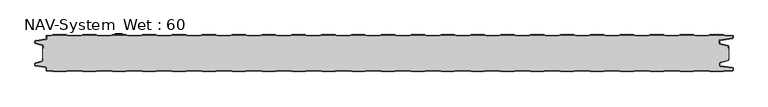
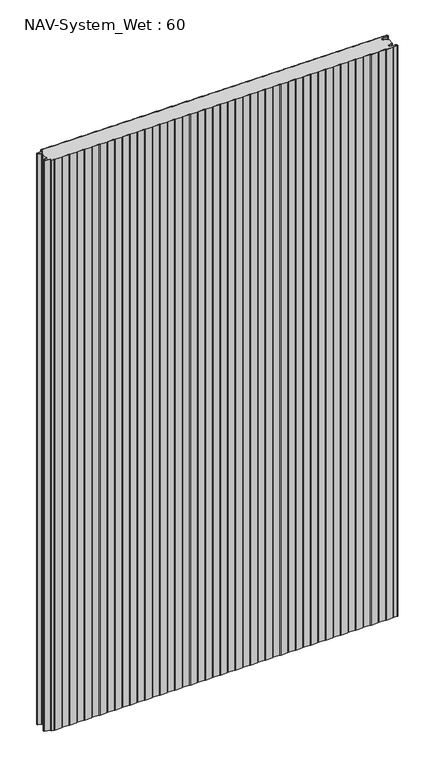
"""IFC4 building model written with IfcOpenShell, lengths in millimetres: plate geometry, NAV-System_Wet : 60."""

from ifc_helpers import new_model, si_unit, point, frame_2d, origin, origin_with_axes, place, context, project, spatial, polyline, circle_curve, trimmed, segment, composite_curve, outline, extrude, source, transform, mapped, element, save


def nav_system_wet_60_539c1cec(model_context):
    return source(origin(), model_context, "Body", "SweptSolid", [
        extrude(outline(composite_curve([segment(polyline([(430.3684327, -0.8), (427.3684327, 0.2), (405.3684327, 0.2), (402.3684327, -0.8), (380.3684327, -0.8), (377.3684327, 0.2), (355.3684327, 0.2), (352.3684327, -0.8), (330.3684327, -0.8), (327.3684327, 0.2), (305.3684327, 0.2), (302.3684327, -0.8), (280.3684327, -0.8), (277.3684327, 0.2), (255.3684327, 0.2), (252.3684327, -0.8), (230.3684327, -0.8), (227.3684327, 0.2), (205.3684327, 0.2), (202.3684327, -0.8), (180.3684327, -0.8), (177.3684327, 0.2), (155.3684327, 0.2), (152.3684327, -0.8), (130.3684327, -0.8), (127.3684327, 0.2), (105.3684327, 0.2), (102.3684327, -0.8), (80.3684327, -0.8), (77.3684327, 0.2), (55.3684327, 0.2), (52.3684327, -0.8), (30.3684327, -0.8), (27.3684327, 0.2), (5.3684327, 0.2), (2.3684327, -0.8), (-19.6315673, -0.8), (-22.6315673, 0.2), (-44.6315673, 0.2), (-47.6315673, -0.8), (-69.6315673, -0.8), (-72.6315673, 0.2), (-94.6315673, 0.2), (-97.6315673, -0.8), (-119.6315673, -0.8), (-122.6315673, 0.2), (-144.6315673, 0.2), (-147.6315673, -0.8), (-169.6315673, -0.8), (-172.6315673, 0.2), (-194.6315673, 0.2), (-197.6315673, -0.8), (-219.6315673, -0.8), (-222.6315673, 0.2), (-244.6315673, 0.2), (-247.6315673, -0.8), (-269.6315673, -0.8), (-272.6315673, 0.2), (-294.6315673, 0.2), (-297.6315673, -0.8), (-319.6315673, -0.8), (-322.6315673, 0.2), (-344.6315673, 0.2), (-347.6315673, -0.8), (-369.6315673, -0.8), (-372.6315673, 0.2), (-394.6315673, 0.2), (-397.6315673, -0.8), (-419.6315673, -0.8), (-422.6315673, 0.2), (-444.6315673, 0.2), (-447.6315673, -0.8), (-469.6315673, -0.8), (-472.6315673, 0.2), (-494.6315673, 0.2), (-497.6315673, -0.8), (-519.6315673, -0.8), (-522.6315673, 0.2), (-544.6315673, 0.2), (-547.6315673, -0.8), (-554.7, -0.8)]), True, "CONTINUOUS"), segment(trimmed(circle_curve(frame_2d((-554.7, -1.3)), 0.5), [point((-554.7, -0.8))], [point((-555.2, -1.3))], True, "CARTESIAN"), True, "CONTINUOUS"), segment(polyline([(-555.2, -1.3), (-555.2, -5.3964683)]), True, "CONTINUOUS"), segment(trimmed(circle_curve(frame_2d((-556.7, -5.3964683)), 1.5), [point((-555.2, -5.3964683))], [point((-556.4911207, -6.8818536))], False, "CARTESIAN"), True, "CONTINUOUS"), segment(polyline([(-556.4911207, -6.8818536), (-573.4352183, -9.2645825)]), True, "CONTINUOUS"), segment(trimmed(circle_curve(frame_2d((-573.3114909, -10.1444347)), 0.8885091), [point((-573.4352183, -9.2645825))], [point((-574.2, -10.1444347))], True, "CARTESIAN"), True, "CONTINUOUS"), segment(polyline([(-574.2, -10.1444347), (-574.2, -12.46995)]), True, "CONTINUOUS"), segment(trimmed(circle_curve(frame_2d((-573.6, -12.46995)), 0.6), [point((-574.2, -12.46995))], [point((-573.7552914, -13.0495055))], True, "CARTESIAN"), True, "CONTINUOUS"), segment(polyline([(-573.7552914, -13.0495055), (-562.3785632, -16.0978907)]), True, "CONTINUOUS"), segment(trimmed(circle_curve(frame_2d((-562.7667917, -17.5467794)), 1.5), [point((-562.3785632, -16.0978907))], [point((-561.2667917, -17.5467794))], False, "CARTESIAN"), True, "CONTINUOUS"), segment(polyline([(-561.2667917, -17.5467794), (-561.2667917, -21.0096505), (-562.0667917, -21.0096505), (-562.0667917, -17.5467794)]), True, "CONTINUOUS"), segment(trimmed(circle_curve(frame_2d((-562.7667917, -17.5467794)), 0.7), [point((-562.0667917, -17.5467794))], [point((-562.5856184, -16.8706313))], True, "CARTESIAN"), True, "CONTINUOUS"), segment(polyline([(-562.5856184, -16.8706313), (-574.0364648, -13.8023863)]), True, "CONTINUOUS"), segment(trimmed(circle_curve(frame_2d((-573.7, -12.5466827)), 1.3), [point((-574.0364648, -13.8023863))], [point((-575.0, -12.5466827))], False, "CARTESIAN"), True, "CONTINUOUS"), segment(polyline([(-575.0, -12.5466827), (-575.0, -9.8067363)]), True, "CONTINUOUS"), segment(trimmed(circle_curve(frame_2d((-573.7, -9.8067363)), 1.3), [point((-575.0, -9.8067363))], [point((-573.8810287, -8.5194024))], False, "CARTESIAN"), True, "CONTINUOUS"), segment(polyline([(-573.8810287, -8.5194024), (-556.602523, -6.0896481)]), True, "CONTINUOUS"), segment(trimmed(circle_curve(frame_2d((-556.7, -5.3964683)), 0.7), [point((-556.602523, -6.0896481))], [point((-556.0, -5.3964683))], True, "CARTESIAN"), True, "CONTINUOUS"), segment(polyline([(-556.0, -5.3964683), (-556.0, -1.3)]), True, "CONTINUOUS"), segment(trimmed(circle_curve(frame_2d((-554.7, -1.3)), 1.3), [point((-556.0, -1.3))], [point((-554.7, 0.0))], False, "CARTESIAN"), True, "CONTINUOUS"), segment(polyline([(-554.7, 0.0), (-547.7613895, 0.0), (-544.7613895, 1.0), (-522.5017452, 1.0), (-519.5017452, 0.0), (-497.7613895, 0.0), (-494.7613895, 1.0), (-472.5017452, 1.0), (-469.5017452, 0.0), (-447.7613895, 0.0), (-444.7613895, 1.0), (-422.5017452, 1.0), (-419.5017452, 0.0), (-397.7613895, 0.0), (-394.7613895, 1.0), (-372.5017452, 1.0), (-369.5017452, 0.0), (-347.7613895, 0.0), (-344.7613895, 1.0), (-322.5017452, 1.0), (-319.5017452, 0.0), (-297.7613895, 0.0), (-294.7613895, 1.0), (-272.5017452, 1.0), (-269.5017452, 0.0), (-247.7613895, 0.0), (-244.7613895, 1.0), (-222.5017452, 1.0), (-219.5017452, 0.0), (-197.7613895, 0.0), (-194.7613895, 1.0), (-172.5017452, 1.0), (-169.5017452, 0.0), (-147.7613895, 0.0), (-144.7613895, 1.0), (-122.5017452, 1.0), (-119.5017452, 0.0), (-97.7613895, 0.0), (-94.7613895, 1.0), (-72.5017452, 1.0), (-69.5017452, 0.0), (-47.7613895, 0.0), (-44.7613895, 1.0), (-22.5017452, 1.0), (-19.5017452, 0.0), (2.2386105, 0.0), (5.2386105, 1.0), (27.4982548, 1.0), (30.4982548, 0.0), (52.2386105, 0.0), (55.2386105, 1.0), (77.4982548, 1.0), (80.4982548, 0.0), (102.2386105, 0.0), (105.2386105, 1.0), (127.4982548, 1.0), (130.4982548, 0.0), (152.2386105, 0.0), (155.2386105, 1.0), (177.4982548, 1.0), (180.4982548, 0.0), (202.2386105, 0.0), (205.2386105, 1.0), (227.4982548, 1.0), (230.4982548, 0.0), (252.2386105, 0.0), (255.2386105, 1.0), (277.4982548, 1.0), (280.4982548, 0.0), (302.2386105, 0.0), (305.2386105, 1.0), (327.4982548, 1.0), (330.4982548, 0.0), (352.2386105, 0.0), (355.2386105, 1.0), (377.4982548, 1.0), (380.4982548, 0.0), (402.2386105, 0.0), (405.2386105, 1.0), (427.4982548, 1.0), (430.4982548, 0.0), (452.2386105, 0.0), (455.2386105, 1.0), (477.4982548, 1.0), (480.4982548, 0.0), (502.2386105, 0.0), (505.2386105, 1.0), (527.4982548, 1.0), (530.4982548, 0.0), (552.2386105, 0.0), (555.2386105, 1.0), (577.4982548, 1.0), (580.4982548, 0.0), (592.7, 0.0)]), True, "CONTINUOUS"), segment(trimmed(circle_curve(frame_2d((592.7, -1.3)), 1.3), [point((592.7, 0.0))], [point((594.0, -1.3))], False, "CARTESIAN"), True, "CONTINUOUS"), segment(polyline([(594.0, -1.3), (594.0, -4.3700191)]), True, "CONTINUOUS"), segment(trimmed(circle_curve(frame_2d((592.7, -4.3700191)), 1.3), [point((594.0, -4.3700191))], [point((592.8810287, -5.657353))], False, "CARTESIAN"), True, "CONTINUOUS"), segment(polyline([(592.8810287, -5.657353), (572.102523, -8.5792877)]), True, "CONTINUOUS"), segment(trimmed(circle_curve(frame_2d((572.2, -9.2724675)), 0.7), [point((572.102523, -8.5792877))], [point((571.5, -9.2724675))], True, "CARTESIAN"), True, "CONTINUOUS"), segment(polyline([(571.5, -9.2724675), (571.5, -13.0812756)]), True, "CONTINUOUS"), segment(trimmed(circle_curve(frame_2d((572.2, -13.0812756)), 0.7), [point((571.5, -13.0812756))], [point((572.0188267, -13.7574237))], True, "CARTESIAN"), True, "CONTINUOUS"), segment(polyline([(572.0188267, -13.7574237), (585.4205101, -17.3483939)]), True, "CONTINUOUS"), segment(trimmed(circle_curve(frame_2d((585.0840453, -18.6040975)), 1.3), [point((585.4205101, -17.3483939))], [point((586.3840453, -18.6040975))], False, "CARTESIAN"), True, "CONTINUOUS"), segment(polyline([(586.3840453, -18.6040975), (586.3840453, -21.0096505), (585.5840453, -21.0096505), (585.5840453, -18.6808302)]), True, "CONTINUOUS"), segment(trimmed(circle_curve(frame_2d((584.9840453, -18.6808302)), 0.6), [point((585.5840453, -18.6808302))], [point((585.1393367, -18.1012747))], True, "CARTESIAN"), True, "CONTINUOUS"), segment(polyline([(585.1393367, -18.1012747), (571.8117714, -14.5301644)]), True, "CONTINUOUS"), segment(trimmed(circle_curve(frame_2d((572.2, -13.0812756)), 1.5), [point((571.8117714, -14.5301644))], [point((570.7, -13.0812756))], False, "CARTESIAN"), True, "CONTINUOUS"), segment(polyline([(570.7, -13.0812756), (570.7, -9.2724675)]), True, "CONTINUOUS"), segment(trimmed(circle_curve(frame_2d((572.2, -9.2724675)), 1.5), [point((570.7, -9.2724675))], [point((571.9911207, -7.7870822))], False, "CARTESIAN"), True, "CONTINUOUS"), segment(polyline([(571.9911207, -7.7870822), (592.6835517, -4.8772516)]), True, "CONTINUOUS"), segment(trimmed(circle_curve(frame_2d((592.6, -4.2830975)), 0.6), [point((592.6835517, -4.8772516))], [point((593.2, -4.2830975))], True, "CARTESIAN"), True, "CONTINUOUS"), segment(polyline([(593.2, -4.2830975), (593.2, -1.3)]), True, "CONTINUOUS"), segment(trimmed(circle_curve(frame_2d((592.7, -1.3)), 0.5), [point((593.2, -1.3))], [point((592.7, -0.8))], True, "CARTESIAN"), True, "CONTINUOUS"), segment(polyline([(592.7, -0.8), (580.3684327, -0.8), (577.3684327, 0.2), (555.3684327, 0.2), (552.3684327, -0.8), (530.3684327, -0.8), (527.3684327, 0.2), (505.3684327, 0.2), (502.3684327, -0.8), (480.3684327, -0.8), (477.3684327, 0.2), (455.3684327, 0.2), (452.3684327, -0.8), (430.3684327, -0.8)]), True, "CONTINUOUS")], self_intersect=False)), origin_with_axes(), (0.0, 0.0, 1.0), 2000.0),
        extrude(outline(composite_curve([segment(polyline([(430.3684327, -0.8), (452.3684327, -0.8), (455.3684327, 0.2), (477.3684327, 0.2), (480.3684327, -0.8), (502.3684327, -0.8), (505.3684327, 0.2), (527.3684327, 0.2), (530.3684327, -0.8), (552.3684327, -0.8), (555.3684327, 0.2), (577.3684327, 0.2), (580.3684327, -0.8), (592.7, -0.8)]), True, "CONTINUOUS"), segment(trimmed(circle_curve(frame_2d((592.7, -1.3)), 0.5), [point((592.7, -0.8))], [point((593.2, -1.3))], False, "CARTESIAN"), True, "CONTINUOUS"), segment(polyline([(593.2, -1.3), (593.2, -4.2830975)]), True, "CONTINUOUS"), segment(trimmed(circle_curve(frame_2d((592.6, -4.2830975)), 0.6), [point((593.2, -4.2830975))], [point((592.6835517, -4.8772516))], False, "CARTESIAN"), True, "CONTINUOUS"), segment(polyline([(592.6835517, -4.8772516), (571.9911207, -7.7870822)]), True, "CONTINUOUS"), segment(trimmed(circle_curve(frame_2d((572.2, -9.2724675)), 1.5), [point((571.9911207, -7.7870822))], [point((570.7, -9.2724675))], True, "CARTESIAN"), True, "CONTINUOUS"), segment(polyline([(570.7, -9.2724675), (570.7, -13.0812756)]), True, "CONTINUOUS"), segment(trimmed(circle_curve(frame_2d((572.2, -13.0812756)), 1.5), [point((570.7, -13.0812756))], [point((571.8117714, -14.5301644))], True, "CARTESIAN"), True, "CONTINUOUS"), segment(polyline([(571.8117714, -14.5301644), (585.1393367, -18.1012747)]), True, "CONTINUOUS"), segment(trimmed(circle_curve(frame_2d((584.9840453, -18.6808302)), 0.6), [point((585.1393367, -18.1012747))], [point((585.5840453, -18.6808302))], False, "CARTESIAN"), True, "CONTINUOUS"), segment(polyline([(585.5840453, -18.6808302), (585.5840453, -21.0096505), (586.3840453, -21.0096505), (586.3840453, -38.9903495), (585.5840453, -38.9903495), (585.5840453, -41.3191698)]), True, "CONTINUOUS"), segment(trimmed(circle_curve(frame_2d((584.9840453, -41.3191698)), 0.6), [point((585.5840453, -41.3191698))], [point((585.1393367, -41.8987253))], False, "CARTESIAN"), True, "CONTINUOUS"), segment(polyline([(585.1393367, -41.8987253), (571.8117714, -45.4698356)]), True, "CONTINUOUS"), segment(trimmed(circle_curve(frame_2d((572.2, -46.9187244)), 1.5), [point((571.8117714, -45.4698356))], [point((570.7, -46.9187244))], True, "CARTESIAN"), True, "CONTINUOUS"), segment(polyline([(570.7, -46.9187244), (570.7, -50.7275325)]), True, "CONTINUOUS"), segment(trimmed(circle_curve(frame_2d((572.2, -50.7275325)), 1.5), [point((570.7, -50.7275325))], [point((571.9911207, -52.2129178))], True, "CARTESIAN"), True, "CONTINUOUS"), segment(polyline([(571.9911207, -52.2129178), (592.6835517, -55.1227484)]), True, "CONTINUOUS"), segment(trimmed(circle_curve(frame_2d((592.6, -55.7169025)), 0.6), [point((592.6835517, -55.1227484))], [point((593.2, -55.7169025))], False, "CARTESIAN"), True, "CONTINUOUS"), segment(polyline([(593.2, -55.7169025), (593.2, -58.7)]), True, "CONTINUOUS"), segment(trimmed(circle_curve(frame_2d((592.7, -58.7)), 0.5), [point((593.2, -58.7))], [point((592.7, -59.2))], False, "CARTESIAN"), True, "CONTINUOUS"), segment(polyline([(592.7, -59.2), (580.3684327, -59.2), (577.3684327, -60.2), (555.3684327, -60.2), (552.3684327, -59.2), (530.3684327, -59.2), (527.3684327, -60.2), (505.3684327, -60.2), (502.3684327, -59.2), (480.3684327, -59.2), (477.3684327, -60.2), (455.3684327, -60.2), (452.3684327, -59.2), (430.3684327, -59.2), (427.3684327, -60.2), (405.3684327, -60.2), (402.3684327, -59.2), (380.3684327, -59.2), (377.3684327, -60.2), (355.3684327, -60.2), (352.3684327, -59.2), (330.3684327, -59.2), (327.3684327, -60.2), (305.3684327, -60.2), (302.3684327, -59.2), (280.3684327, -59.2), (277.3684327, -60.2), (255.3684327, -60.2), (252.3684327, -59.2), (230.3684327, -59.2), (227.3684327, -60.2), (205.3684327, -60.2), (202.3684327, -59.2), (180.3684327, -59.2), (177.3684327, -60.2), (155.3684327, -60.2), (152.3684327, -59.2), (130.3684327, -59.2), (127.3684327, -60.2), (105.3684327, -60.2), (102.3684327, -59.2), (80.3684327, -59.2), (77.3684327, -60.2), (55.3684327, -60.2), (52.3684327, -59.2), (30.3684327, -59.2), (27.3684327, -60.2), (5.3684327, -60.2), (2.3684327, -59.2), (-19.6315673, -59.2), (-22.6315673, -60.2), (-44.6315673, -60.2), (-47.6315673, -59.2), (-69.6315673, -59.2), (-72.6315673, -60.2), (-94.6315673, -60.2), (-97.6315673, -59.2), (-119.6315673, -59.2), (-122.6315673, -60.2), (-144.6315673, -60.2), (-147.6315673, -59.2), (-169.6315673, -59.2), (-172.6315673, -60.2), (-194.6315673, -60.2), (-197.6315673, -59.2), (-219.6315673, -59.2), (-222.6315673, -60.2), (-244.6315673, -60.2), (-247.6315673, -59.2), (-269.6315673, -59.2), (-272.6315673, -60.2), (-294.6315673, -60.2), (-297.6315673, -59.2), (-319.6315673, -59.2), (-322.6315673, -60.2), (-344.6315673, -60.2), (-347.6315673, -59.2), (-369.6315673, -59.2), (-372.6315673, -60.2), (-394.6315673, -60.2), (-397.6315673, -59.2), (-419.6315673, -59.2), (-422.6315673, -60.2), (-444.6315673, -60.2), (-447.6315673, -59.2), (-469.6315673, -59.2), (-472.6315673, -60.2), (-494.6315673, -60.2), (-497.6315673, -59.2), (-519.6315673, -59.2), (-522.6315673, -60.2), (-544.6315673, -60.2), (-547.6315673, -59.2), (-554.7, -59.2)]), True, "CONTINUOUS"), segment(trimmed(circle_curve(frame_2d((-554.7, -58.7)), 0.5), [point((-554.7, -59.2))], [point((-555.2, -58.7))], False, "CARTESIAN"), True, "CONTINUOUS"), segment(polyline([(-555.2, -58.7), (-555.2, -54.6035317)]), True, "CONTINUOUS"), segment(trimmed(circle_curve(frame_2d((-556.7, -54.6035317)), 1.5), [point((-555.2, -54.6035317))], [point((-556.4911207, -53.1181464))], True, "CARTESIAN"), True, "CONTINUOUS"), segment(polyline([(-556.4911207, -53.1181464), (-573.4352183, -50.7354175)]), True, "CONTINUOUS"), segment(trimmed(circle_curve(frame_2d((-573.3114909, -49.8555653)), 0.8885091), [point((-573.4352183, -50.7354175))], [point((-574.2, -49.8555653))], False, "CARTESIAN"), True, "CONTINUOUS"), segment(polyline([(-574.2, -49.8555653), (-574.2, -47.53005)]), True, "CONTINUOUS"), segment(trimmed(circle_curve(frame_2d((-573.6, -47.53005)), 0.6), [point((-574.2, -47.53005))], [point((-573.7552914, -46.9504945))], False, "CARTESIAN"), True, "CONTINUOUS"), segment(polyline([(-573.7552914, -46.9504945), (-562.3785632, -43.9021093)]), True, "CONTINUOUS"), segment(trimmed(circle_curve(frame_2d((-562.7667917, -42.4532206)), 1.5), [point((-562.3785632, -43.9021093))], [point((-561.2667917, -42.4532206))], True, "CARTESIAN"), True, "CONTINUOUS"), segment(polyline([(-561.2667917, -42.4532206), (-561.2667917, -38.9903495), (-562.0667917, -38.9903495), (-562.0667917, -21.0096505), (-561.2667917, -21.0096505), (-561.2667917, -17.5467794)]), True, "CONTINUOUS"), segment(trimmed(circle_curve(frame_2d((-562.7667917, -17.5467794)), 1.5), [point((-561.2667917, -17.5467794))], [point((-562.3785632, -16.0978907))], True, "CARTESIAN"), True, "CONTINUOUS"), segment(polyline([(-562.3785632, -16.0978907), (-573.7552914, -13.0495055)]), True, "CONTINUOUS"), segment(trimmed(circle_curve(frame_2d((-573.6, -12.46995)), 0.6), [point((-573.7552914, -13.0495055))], [point((-574.2, -12.46995))], False, "CARTESIAN"), True, "CONTINUOUS"), segment(polyline([(-574.2, -12.46995), (-574.2, -10.1444347)]), True, "CONTINUOUS"), segment(trimmed(circle_curve(frame_2d((-573.3114909, -10.1444347)), 0.8885091), [point((-574.2, -10.1444347))], [point((-573.4352183, -9.2645825))], False, "CARTESIAN"), True, "CONTINUOUS"), segment(polyline([(-573.4352183, -9.2645825), (-556.4911207, -6.8818536)]), True, "CONTINUOUS"), segment(trimmed(circle_curve(frame_2d((-556.7, -5.3964683)), 1.5), [point((-556.4911207, -6.8818536))], [point((-555.2, -5.3964683))], True, "CARTESIAN"), True, "CONTINUOUS"), segment(polyline([(-555.2, -5.3964683), (-555.2, -1.3)]), True, "CONTINUOUS"), segment(trimmed(circle_curve(frame_2d((-554.7, -1.3)), 0.5), [point((-555.2, -1.3))], [point((-554.7, -0.8))], False, "CARTESIAN"), True, "CONTINUOUS"), segment(polyline([(-554.7, -0.8), (-547.6315673, -0.8), (-544.6315673, 0.2), (-522.6315673, 0.2), (-519.6315673, -0.8), (-497.6315673, -0.8), (-494.6315673, 0.2), (-472.6315673, 0.2), (-469.6315673, -0.8), (-447.6315673, -0.8), (-444.6315673, 0.2), (-422.6315673, 0.2), (-419.6315673, -0.8), (-397.6315673, -0.8), (-394.6315673, 0.2), (-372.6315673, 0.2), (-369.6315673, -0.8), (-347.6315673, -0.8), (-344.6315673, 0.2), (-322.6315673, 0.2), (-319.6315673, -0.8), (-297.6315673, -0.8), (-294.6315673, 0.2), (-272.6315673, 0.2), (-269.6315673, -0.8), (-247.6315673, -0.8), (-244.6315673, 0.2), (-222.6315673, 0.2), (-219.6315673, -0.8), (-197.6315673, -0.8), (-194.6315673, 0.2), (-172.6315673, 0.2), (-169.6315673, -0.8), (-147.6315673, -0.8), (-144.6315673, 0.2), (-122.6315673, 0.2), (-119.6315673, -0.8), (-97.6315673, -0.8), (-94.6315673, 0.2), (-72.6315673, 0.2), (-69.6315673, -0.8), (-47.6315673, -0.8), (-44.6315673, 0.2), (-22.6315673, 0.2), (-19.6315673, -0.8), (2.3684327, -0.8), (5.3684327, 0.2), (27.3684327, 0.2), (30.3684327, -0.8), (52.3684327, -0.8), (55.3684327, 0.2), (77.3684327, 0.2), (80.3684327, -0.8), (102.3684327, -0.8), (105.3684327, 0.2), (127.3684327, 0.2), (130.3684327, -0.8), (152.3684327, -0.8), (155.3684327, 0.2), (177.3684327, 0.2), (180.3684327, -0.8), (202.3684327, -0.8), (205.3684327, 0.2), (227.3684327, 0.2), (230.3684327, -0.8), (252.3684327, -0.8), (255.3684327, 0.2), (277.3684327, 0.2), (280.3684327, -0.8), (302.3684327, -0.8), (305.3684327, 0.2), (327.3684327, 0.2), (330.3684327, -0.8), (352.3684327, -0.8), (355.3684327, 0.2), (377.3684327, 0.2), (380.3684327, -0.8), (402.3684327, -0.8), (405.3684327, 0.2), (427.3684327, 0.2), (430.3684327, -0.8)]), True, "CONTINUOUS")], self_intersect=False)), origin_with_axes(), (0.0, 0.0, 1.0), 2000.0),
        extrude(outline(composite_curve([segment(polyline([(430.3684327, -59.2), (452.3684327, -59.2), (455.3684327, -60.2), (477.3684327, -60.2), (480.3684327, -59.2), (502.3684327, -59.2), (505.3684327, -60.2), (527.3684327, -60.2), (530.3684327, -59.2), (552.3684327, -59.2), (555.3684327, -60.2), (577.3684327, -60.2), (580.3684327, -59.2), (592.7, -59.2)]), True, "CONTINUOUS"), segment(trimmed(circle_curve(frame_2d((592.7, -58.7)), 0.5), [point((592.7, -59.2))], [point((593.2, -58.7))], True, "CARTESIAN"), True, "CONTINUOUS"), segment(polyline([(593.2, -58.7), (593.2, -55.7169025)]), True, "CONTINUOUS"), segment(trimmed(circle_curve(frame_2d((592.6, -55.7169025)), 0.6), [point((593.2, -55.7169025))], [point((592.6835517, -55.1227484))], True, "CARTESIAN"), True, "CONTINUOUS"), segment(polyline([(592.6835517, -55.1227484), (571.9911207, -52.2129178)]), True, "CONTINUOUS"), segment(trimmed(circle_curve(frame_2d((572.2, -50.7275325)), 1.5), [point((571.9911207, -52.2129178))], [point((570.7, -50.7275325))], False, "CARTESIAN"), True, "CONTINUOUS"), segment(polyline([(570.7, -50.7275325), (570.7, -46.9187244)]), True, "CONTINUOUS"), segment(trimmed(circle_curve(frame_2d((572.2, -46.9187244)), 1.5), [point((570.7, -46.9187244))], [point((571.8117714, -45.4698356))], False, "CARTESIAN"), True, "CONTINUOUS"), segment(polyline([(571.8117714, -45.4698356), (585.1393367, -41.8987253)]), True, "CONTINUOUS"), segment(trimmed(circle_curve(frame_2d((584.9840453, -41.3191698)), 0.6), [point((585.1393367, -41.8987253))], [point((585.5840453, -41.3191698))], True, "CARTESIAN"), True, "CONTINUOUS"), segment(polyline([(585.5840453, -41.3191698), (585.5840453, -38.9903495), (586.3840453, -38.9903495), (586.3840453, -41.3959025)]), True, "CONTINUOUS"), segment(trimmed(circle_curve(frame_2d((585.0840453, -41.3959025)), 1.3), [point((586.3840453, -41.3959025))], [point((585.4205101, -42.6516061))], False, "CARTESIAN"), True, "CONTINUOUS"), segment(polyline([(585.4205101, -42.6516061), (572.0188267, -46.2425763)]), True, "CONTINUOUS"), segment(trimmed(circle_curve(frame_2d((572.2, -46.9187244)), 0.7), [point((572.0188267, -46.2425763))], [point((571.5, -46.9187244))], True, "CARTESIAN"), True, "CONTINUOUS"), segment(polyline([(571.5, -46.9187244), (571.5, -50.7275325)]), True, "CONTINUOUS"), segment(trimmed(circle_curve(frame_2d((572.2, -50.7275325)), 0.7), [point((571.5, -50.7275325))], [point((572.102523, -51.4207123))], True, "CARTESIAN"), True, "CONTINUOUS"), segment(polyline([(572.102523, -51.4207123), (592.8810287, -54.342647)]), True, "CONTINUOUS"), segment(trimmed(circle_curve(frame_2d((592.7, -55.6299809)), 1.3), [point((592.8810287, -54.342647))], [point((594.0, -55.6299809))], False, "CARTESIAN"), True, "CONTINUOUS"), segment(polyline([(594.0, -55.6299809), (594.0, -58.7)]), True, "CONTINUOUS"), segment(trimmed(circle_curve(frame_2d((592.7, -58.7)), 1.3), [point((594.0, -58.7))], [point((592.7, -60.0))], False, "CARTESIAN"), True, "CONTINUOUS"), segment(polyline([(592.7, -60.0), (580.4982548, -60.0), (577.4982548, -61.0), (555.2386105, -61.0), (552.2386105, -60.0), (530.4982548, -60.0), (527.4982548, -61.0), (505.2386105, -61.0), (502.2386105, -60.0), (480.4982548, -60.0), (477.4982548, -61.0), (455.2386105, -61.0), (452.2386105, -60.0), (430.4982548, -60.0), (427.4982548, -61.0), (405.2386105, -61.0), (402.2386105, -60.0), (380.4982548, -60.0), (377.4982548, -61.0), (355.2386105, -61.0), (352.2386105, -60.0), (330.4982548, -60.0), (327.4982548, -61.0), (305.2386105, -61.0), (302.2386105, -60.0), (280.4982548, -60.0), (277.4982548, -61.0), (255.2386105, -61.0), (252.2386105, -60.0), (230.4982548, -60.0), (227.4982548, -61.0), (205.2386105, -61.0), (202.2386105, -60.0), (180.4982548, -60.0), (177.4982548, -61.0), (155.2386105, -61.0), (152.2386105, -60.0), (130.4982548, -60.0), (127.4982548, -61.0), (105.2386105, -61.0), (102.2386105, -60.0), (80.4982548, -60.0), (77.4982548, -61.0), (55.2386105, -61.0), (52.2386105, -60.0), (30.4982548, -60.0), (27.4982548, -61.0), (5.2386105, -61.0), (2.2386105, -60.0), (-19.5017452, -60.0), (-22.5017452, -61.0), (-44.7613895, -61.0), (-47.7613895, -60.0), (-69.5017452, -60.0), (-72.5017452, -61.0), (-94.7613895, -61.0), (-97.7613895, -60.0), (-119.5017452, -60.0), (-122.5017452, -61.0), (-144.7613895, -61.0), (-147.7613895, -60.0), (-169.5017452, -60.0), (-172.5017452, -61.0), (-194.7613895, -61.0), (-197.7613895, -60.0), (-219.5017452, -60.0), (-222.5017452, -61.0), (-244.7613895, -61.0), (-247.7613895, -60.0), (-269.5017452, -60.0), (-272.5017452, -61.0), (-294.7613895, -61.0), (-297.7613895, -60.0), (-319.5017452, -60.0), (-322.5017452, -61.0), (-344.7613895, -61.0), (-347.7613895, -60.0), (-369.5017452, -60.0), (-372.5017452, -61.0), (-394.7613895, -61.0), (-397.7613895, -60.0), (-419.5017452, -60.0), (-422.5017452, -61.0), (-444.7613895, -61.0), (-447.7613895, -60.0), (-469.5017452, -60.0), (-472.5017452, -61.0), (-494.7613895, -61.0), (-497.7613895, -60.0), (-519.5017452, -60.0), (-522.5017452, -61.0), (-544.7613895, -61.0), (-547.7613895, -60.0), (-554.7, -60.0)]), True, "CONTINUOUS"), segment(trimmed(circle_curve(frame_2d((-554.7, -58.7)), 1.3), [point((-554.7, -60.0))], [point((-556.0, -58.7))], False, "CARTESIAN"), True, "CONTINUOUS"), segment(polyline([(-556.0, -58.7), (-556.0, -54.6035317)]), True, "CONTINUOUS"), segment(trimmed(circle_curve(frame_2d((-556.7, -54.6035317)), 0.7), [point((-556.0, -54.6035317))], [point((-556.602523, -53.9103519))], True, "CARTESIAN"), True, "CONTINUOUS"), segment(polyline([(-556.602523, -53.9103519), (-573.8810287, -51.4805976)]), True, "CONTINUOUS"), segment(trimmed(circle_curve(frame_2d((-573.7, -50.1932637)), 1.3), [point((-573.8810287, -51.4805976))], [point((-575.0, -50.1932637))], False, "CARTESIAN"), True, "CONTINUOUS"), segment(polyline([(-575.0, -50.1932637), (-575.0, -47.4533173)]), True, "CONTINUOUS"), segment(trimmed(circle_curve(frame_2d((-573.7, -47.4533173)), 1.3), [point((-575.0, -47.4533173))], [point((-574.0364648, -46.1976137))], False, "CARTESIAN"), True, "CONTINUOUS"), segment(polyline([(-574.0364648, -46.1976137), (-562.5856184, -43.1293687)]), True, "CONTINUOUS"), segment(trimmed(circle_curve(frame_2d((-562.7667917, -42.4532206)), 0.7), [point((-562.5856184, -43.1293687))], [point((-562.0667917, -42.4532206))], True, "CARTESIAN"), True, "CONTINUOUS"), segment(polyline([(-562.0667917, -42.4532206), (-562.0667917, -38.9903495), (-561.2667917, -38.9903495), (-561.2667917, -42.4532206)]), True, "CONTINUOUS"), segment(trimmed(circle_curve(frame_2d((-562.7667917, -42.4532206)), 1.5), [point((-561.2667917, -42.4532206))], [point((-562.3785632, -43.9021093))], False, "CARTESIAN"), True, "CONTINUOUS"), segment(polyline([(-562.3785632, -43.9021093), (-573.7552914, -46.9504945)]), True, "CONTINUOUS"), segment(trimmed(circle_curve(frame_2d((-573.6, -47.53005)), 0.6), [point((-573.7552914, -46.9504945))], [point((-574.2, -47.53005))], True, "CARTESIAN"), True, "CONTINUOUS"), segment(polyline([(-574.2, -47.53005), (-574.2, -49.8555653)]), True, "CONTINUOUS"), segment(trimmed(circle_curve(frame_2d((-573.3114909, -49.8555653)), 0.8885091), [point((-574.2, -49.8555653))], [point((-573.4352183, -50.7354175))], True, "CARTESIAN"), True, "CONTINUOUS"), segment(polyline([(-573.4352183, -50.7354175), (-556.4911207, -53.1181464)]), True, "CONTINUOUS"), segment(trimmed(circle_curve(frame_2d((-556.7, -54.6035317)), 1.5), [point((-556.4911207, -53.1181464))], [point((-555.2, -54.6035317))], False, "CARTESIAN"), True, "CONTINUOUS"), segment(polyline([(-555.2, -54.6035317), (-555.2, -58.7)]), True, "CONTINUOUS"), segment(trimmed(circle_curve(frame_2d((-554.7, -58.7)), 0.5), [point((-555.2, -58.7))], [point((-554.7, -59.2))], True, "CARTESIAN"), True, "CONTINUOUS"), segment(polyline([(-554.7, -59.2), (-547.6315673, -59.2), (-544.6315673, -60.2), (-522.6315673, -60.2), (-519.6315673, -59.2), (-497.6315673, -59.2), (-494.6315673, -60.2), (-472.6315673, -60.2), (-469.6315673, -59.2), (-447.6315673, -59.2), (-444.6315673, -60.2), (-422.6315673, -60.2), (-419.6315673, -59.2), (-397.6315673, -59.2), (-394.6315673, -60.2), (-372.6315673, -60.2), (-369.6315673, -59.2), (-347.6315673, -59.2), (-344.6315673, -60.2), (-322.6315673, -60.2), (-319.6315673, -59.2), (-297.6315673, -59.2), (-294.6315673, -60.2), (-272.6315673, -60.2), (-269.6315673, -59.2), (-247.6315673, -59.2), (-244.6315673, -60.2), (-222.6315673, -60.2), (-219.6315673, -59.2), (-197.6315673, -59.2), (-194.6315673, -60.2), (-172.6315673, -60.2), (-169.6315673, -59.2), (-147.6315673, -59.2), (-144.6315673, -60.2), (-122.6315673, -60.2), (-119.6315673, -59.2), (-97.6315673, -59.2), (-94.6315673, -60.2), (-72.6315673, -60.2), (-69.6315673, -59.2), (-47.6315673, -59.2), (-44.6315673, -60.2), (-22.6315673, -60.2), (-19.6315673, -59.2), (2.3684327, -59.2), (5.3684327, -60.2), (27.3684327, -60.2), (30.3684327, -59.2), (52.3684327, -59.2), (55.3684327, -60.2), (77.3684327, -60.2), (80.3684327, -59.2), (102.3684327, -59.2), (105.3684327, -60.2), (127.3684327, -60.2), (130.3684327, -59.2), (152.3684327, -59.2), (155.3684327, -60.2), (177.3684327, -60.2), (180.3684327, -59.2), (202.3684327, -59.2), (205.3684327, -60.2), (227.3684327, -60.2), (230.3684327, -59.2), (252.3684327, -59.2), (255.3684327, -60.2), (277.3684327, -60.2), (280.3684327, -59.2), (302.3684327, -59.2), (305.3684327, -60.2), (327.3684327, -60.2), (330.3684327, -59.2), (352.3684327, -59.2), (355.3684327, -60.2), (377.3684327, -60.2), (380.3684327, -59.2), (402.3684327, -59.2), (405.3684327, -60.2), (427.3684327, -60.2), (430.3684327, -59.2)]), True, "CONTINUOUS")], self_intersect=False)), origin_with_axes(), (0.0, 0.0, 1.0), 2000.0),
    ])


if __name__ == "__main__":
    model = new_model("IFC4")
    model_context = context("Model", 3, world=origin())
    ifc_project = project(units=[si_unit("LENGTHUNIT", "METRE", prefix="MILLI")], contexts=[model_context])
    site = spatial("IfcSite", under=ifc_project)
    building = spatial("IfcBuilding", under=site)
    placement = place(None, origin())
    nav_system_wet_60_shape = nav_system_wet_60_539c1cec(model_context)
    element("IfcPlate", 1, ObjectType="NAV-System_Wet : 60", at=placement, inside=building, context=model_context, shape_type="MappedRepresentation", body=[
        mapped(nav_system_wet_60_shape, transform((0.0, 0.0, 0.0), x_axis=(1.0, 0.0, 0.0), y_axis=(0.0, 1.0, 0.0), z_axis=(0.0, 0.0, 1.0))),
    ])
    save(model, "model.ifc")
